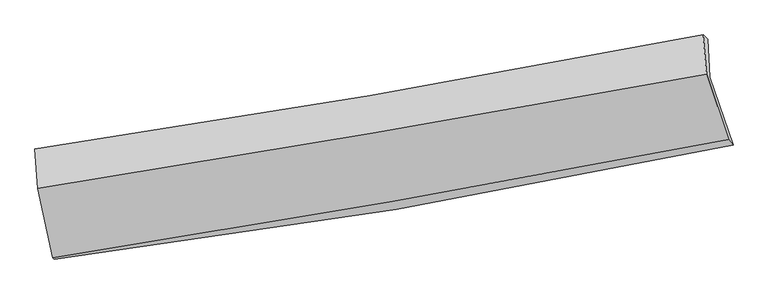
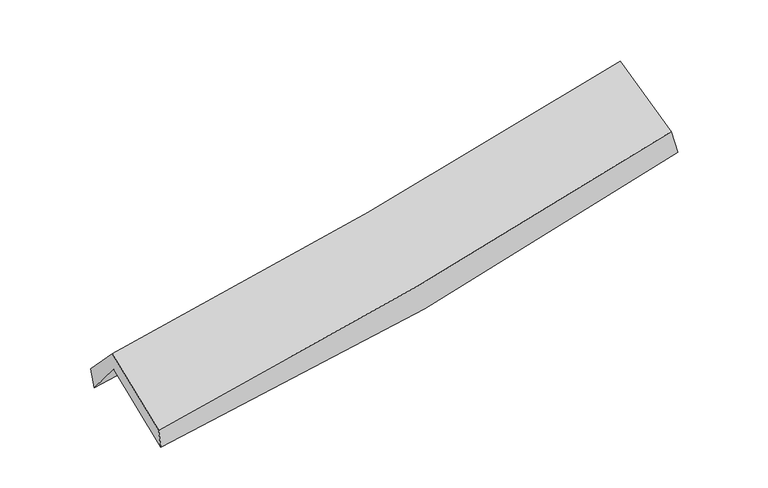
"""IFC4 building model written with IfcOpenShell, lengths in millimetres: proxy geometry."""

from ifc_helpers import new_model, si_unit, frame, origin, place, context, project, spatial, source, transform, mapped, element, save
from ifc_brep_helpers import plane_surface, spline_curve, spline_surface, advanced_brep


def generic_models_09ba85ad(model_context):
    return source(origin(), model_context, "Body", "AdvancedBrep", [
        advanced_brep(
        [(-2308.9402733, -2469.2177962, 1495.1823862), (-2416.1828048, -1974.6406117, 1925.8682531), (2334.0362525, -1179.2756807, 2371.3884908), (2498.0243419, -1661.0507988, 1941.7840161), (-2431.2540665, -1716.9150484, 1614.1986091), (2318.504889, -910.0710253, 2045.9058137), (-2447.3368162, -1689.20854, 1770.6656332), (2286.2872568, -878.4635256, 2233.5597117), (-2427.5946555, -1969.2396289, 2065.0886006), (2310.0191132, -1155.414837, 2510.7890898), (-2321.851681, -2460.9566346, 1648.4443334), (2466.5143599, -1622.2641606, 2112.4211714)],
        [
            (0, 1),
            (1, 2, spline_curve(3, [(-2416.1828048, -1974.6406117, 1925.8682531), (-1615.832906865, -1871.019471571, 1972.97648454), (-819.206707333, -1752.804850007, 2033.734904533), (764.176937262, -1487.594211641, 2182.324892808), (1550.957089975, -1340.68718944, 2270.073218801), (2334.0362525, -1179.2756807, 2371.3884908)], [4, 2, 4], [0.0, 7.998076355560298, 15.971728266108238])),
            (2, 3),
            (3, 0, spline_curve(3, [(2498.0243419, -1661.0507988, 1941.7840161), (1707.61309361, -1831.457845137, 1832.177998394), (912.446946738, -1983.93309233, 1740.188119477), (-689.845417189, -2253.432115244, 1591.21282284), (-1497.000808678, -2370.345866889, 1534.335491487), (-2308.9402733, -2469.2177962, 1495.1823862)], [4, 2, 4], [0.0, 7.97365191054794, 15.971728266108238])),
            (1, 4),
            (4, 5, spline_curve(3, [(-2431.2540665, -1716.9150484, 1614.1986091), (-1631.20130893, -1607.605435771, 1654.436814363), (-834.761911341, -1485.591408465, 1710.610864705), (748.469038575, -1216.565925956, 1854.610447223), (1535.282626375, -1069.631945711, 1942.338798426), (2318.504889, -910.0710253, 2045.9058137)], [4, 2, 4], [0.0, 7.949850890798926, 15.875424607024023])),
            (5, 2),
            (4, 6),
            (6, 7, spline_curve(3, [(-2447.3368162, -1689.20854, 1770.6656332), (-1653.059494785, -1571.842581336, 1836.043262758), (-860.852088651, -1445.480463489, 1907.374664134), (717.009979539, -1175.177264255, 2061.708997983), (1502.677264443, -1031.291044301, 2144.675622695), (2286.2872568, -878.4635256, 2233.5597117)], [4, 2, 4], [0.0, 7.938637501556506, 15.853032071874301])),
            (7, 5),
            (6, 8),
            (8, 9, spline_curve(3, [(-2427.5946555, -1969.2396289, 2065.0886006), (-1632.897617739, -1843.434579236, 2114.64727604), (-840.147182086, -1712.60193472, 2176.644111332), (739.045536504, -1441.296344511, 2325.286792031), (1525.499690342, -1300.854058541, 2411.856786628), (2310.0191132, -1155.414837, 2510.7890898)], [4, 2, 4], [0.0, 7.930082745658374, 15.83594868450543])),
            (9, 7),
            (8, 10),
            (10, 11, spline_curve(3, [(-2321.851681, -2460.9566346, 1648.4443334), (-1517.681144927, -2333.547644316, 1698.872955906), (-715.958902611, -2199.835606182, 1762.831789816), (880.148180876, -1920.233010678, 1917.573246715), (1674.547951971, -1774.380890882, 2008.273358377), (2466.5143599, -1622.2641606, 2112.4211714)], [4, 2, 4], [0.0, 7.978637589590731, 15.93291009607682])),
            (11, 9),
            (10, 0),
            (3, 11),
        ],
        [
            spline_surface(3, 3, [[(-2308.9402733, -2469.2177962, 1495.1823862), (-1497.000808777, -2370.345867004, 1534.335491515), (-689.845417183, -2253.432115159, 1591.212822751), (912.446946732, -1983.933092414, 1740.188119565), (1707.613093523, -1831.457845108, 1832.177998272), (2498.0243419, -1661.0507988, 1941.7840161)], [(-2344.687783786, -2304.358734717, 1638.744341845), (-1536.611508105, -2203.903735242, 1680.549155899), (-732.965847208, -2086.556360112, 1738.720183351), (863.023610189, -1818.48679881, 1887.567043961), (1655.394425685, -1667.867626611, 1978.143071753), (2443.361645432, -1500.459092784, 2084.985507649)], [(-2380.435294314, -2139.499673183, 1782.306297455), (-1576.222207475, -2037.46160343, 1826.762820248), (-776.086277192, -1919.68060508, 1886.22754397), (813.600273689, -1653.04050522, 2034.945968375), (1603.175757851, -1504.277408061, 2124.108145287), (2388.698948968, -1339.867386716, 2228.186999251)], [(-2416.1828048, -1974.6406117, 1925.8682531), (-1615.832906802, -1871.019471668, 1972.976484632), (-819.206707218, -1752.804850033, 2033.73490457), (764.176937147, -1487.594211615, 2182.324892771), (1550.957090013, -1340.687189564, 2270.073218768), (2334.0362525, -1179.2756807, 2371.3884908)]], [4, 4], [4, 2, 4], [0.0, 2.2334050093483055], [0.0, 7.998076355560298, 15.971728266108238]),
            spline_surface(3, 3, [[(-2416.1828048, -1974.6406117, 1925.8682531), (-1615.832906802, -1871.019471668, 1972.976484632), (-819.206707218, -1752.804850033, 2033.73490457), (764.176937147, -1487.594211615, 2182.324892771), (1550.957090013, -1340.687189564, 2270.073218768), (2334.0362525, -1179.2756807, 2371.3884908)], [(-2421.206558701, -1888.732090583, 1821.978371745), (-1620.955707478, -1783.214793043, 1866.796594543), (-824.391775272, -1663.733702838, 1926.026891312), (758.940970963, -1397.251449747, 2073.086744233), (1545.732268788, -1250.335441589, 2160.828411947), (2328.859131341, -1089.540795552, 2262.894265089)], [(-2426.230312599, -1802.823569517, 1718.088490455), (-1626.078508151, -1695.41011447, 1760.616704519), (-829.576843317, -1574.662555625, 1818.318878042), (753.705004789, -1306.90868786, 1963.848595682), (1540.507447541, -1159.983693656, 2051.583605159), (2323.682010159, -999.805910448, 2154.400039411)], [(-2431.2540665, -1716.9150484, 1614.1986091), (-1631.201308827, -1607.605435845, 1654.43681443), (-834.761911371, -1485.59140843, 1710.610864783), (748.469038605, -1216.565925992, 1854.610447144), (1535.282626316, -1069.631945681, 1942.338798338), (2318.504889, -910.0710253, 2045.9058137)]], [4, 4], [4, 2, 4], [0.0, 1.386364831553739], [0.0, 7.949850890798926, 15.875424607024023]),
            spline_surface(3, 3, [[(-2431.2540665, -1716.9150484, 1614.1986091), (-1631.201308827, -1607.605435845, 1654.43681443), (-834.761911371, -1485.59140843, 1710.610864783), (748.469038605, -1216.565925992, 1854.610447144), (1535.282626316, -1069.631945681, 1942.338798338), (2318.504889, -910.0710253, 2045.9058137)], [(-2436.614983066, -1707.679545618, 1666.354283798), (-1638.487370821, -1595.684484376, 1714.972297212), (-843.45863709, -1472.22109341, 1776.19879791), (737.982685598, -1202.76970545, 1923.64329741), (1524.414172304, -1056.851645208, 2009.784406473), (2307.765678246, -899.53519207, 2108.457113038)], [(-2441.975899634, -1698.444042782, 1718.509958502), (-1645.773432818, -1583.763532853, 1775.50778), (-852.155362892, -1458.850778393, 1841.786731042), (727.496332506, -1188.973484913, 1992.676147682), (1513.545718353, -1044.071344725, 2077.230014594), (2297.026467554, -888.99935883, 2171.008412362)], [(-2447.3368162, -1689.20854, 1770.6656332), (-1653.059494812, -1571.842581383, 1836.043262782), (-860.85208861, -1445.480463373, 1907.374664168), (717.009979499, -1175.177264371, 2061.708997948), (1502.677264341, -1031.291044251, 2144.675622729), (2286.2872568, -878.4635256, 2233.5597117)]], [4, 4], [4, 2, 4], [0.0, 0.6823648490251994], [0.0, 7.938637501556506, 15.853032071874301]),
            spline_surface(3, 3, [[(-2447.3368162, -1689.20854, 1770.6656332), (-1653.059494812, -1571.842581383, 1836.043262782), (-860.85208861, -1445.480463373, 1907.374664168), (717.009979499, -1175.177264371, 2061.708997948), (1502.677264341, -1031.291044251, 2144.675622729), (2286.2872568, -878.4635256, 2233.5597117)], [(-2440.756095975, -1782.552236288, 1868.806622359), (-1646.338869168, -1662.373247333, 1928.911267254), (-853.950453136, -1534.520953816, 1997.131146559), (724.35516517, -1263.883624427, 2149.568262671), (1510.284739712, -1121.145382321, 2233.736010715), (2294.197875619, -970.78062941, 2325.969504406)], [(-2434.175375725, -1875.895932612, 1966.947611441), (-1639.6182435, -1752.90391332, 2021.77927165), (-847.048817615, -1623.561444254, 2086.887628903), (731.700350887, -1352.589984477, 2237.427527346), (1517.892215026, -1210.99972036, 2322.796398682), (2302.108494381, -1063.09773319, 2418.379297094)], [(-2427.5946555, -1969.2396289, 2065.0886006), (-1632.897617856, -1843.43457927, 2114.647276122), (-840.14718214, -1712.601934697, 2176.644111294), (739.045536558, -1441.296344533, 2325.286792068), (1525.499690397, -1300.85405843, 2411.856786667), (2310.0191132, -1155.414837, 2510.7890898)]], [4, 4], [4, 2, 4], [0.0, 1.2386203100875357], [0.0, 7.930082745658374, 15.83594868450543]),
            spline_surface(3, 3, [[(-2427.5946555, -1969.2396289, 2065.0886006), (-1632.897617856, -1843.43457927, 2114.647276122), (-840.14718214, -1712.601934697, 2176.644111294), (739.045536558, -1441.296344533, 2325.286792068), (1525.499690397, -1300.85405843, 2411.856786667), (2310.0191132, -1155.414837, 2510.7890898)], [(-2392.346997348, -2133.145297475, 1926.207178191), (-1594.492126924, -2006.805600975, 1976.055836002), (-798.751088936, -1875.013158512, 2038.706670846), (786.079751308, -1600.94189987, 2189.382276915), (1575.182444234, -1458.696335858, 2277.328977268), (2362.18419543, -1311.031278178, 2377.999783667)], [(-2357.099339152, -2297.050966025, 1787.325755809), (-1556.086635947, -2170.176622654, 1837.464395909), (-757.354995739, -2037.424382414, 1900.769230384), (833.11396605, -1760.587455294, 2053.477761749), (1624.865198081, -1616.538613351, 2142.80116787), (2414.34927767, -1466.647719422, 2245.210477533)], [(-2321.851681, -2460.9566346, 1648.4443334), (-1517.681145015, -2333.547644359, 1698.872955789), (-715.958902535, -2199.835606229, 1762.831789936), (880.1481808, -1920.233010631, 1917.573246596), (1674.547951918, -1774.380890779, 2008.273358471), (2466.5143599, -1622.2641606, 2112.4211714)]], [4, 4], [4, 2, 4], [0.0, 2.1254812570840276], [0.0, 7.978637589590731, 15.93291009607682]),
            spline_surface(3, 3, [[(-2321.851681, -2460.9566346, 1648.4443334), (-1517.681145015, -2333.547644359, 1698.872955789), (-715.958902535, -2199.835606229, 1762.831789936), (880.1481808, -1920.233010631, 1917.573246596), (1674.547951918, -1774.380890779, 2008.273358471), (2466.5143599, -1622.2641606, 2112.4211714)], [(-2317.547878424, -2463.71035512, 1597.357017662), (-1510.787699594, -2345.813718561, 1644.02713436), (-707.254407416, -2217.701109233, 1705.625467525), (890.914436112, -1941.466371253, 1858.444870903), (1685.569665784, -1793.406542227, 1949.574905089), (2477.017687232, -1635.193040005, 2055.542119651)], [(-2313.244075876, -2466.46407568, 1546.269701938), (-1503.894254199, -2358.079792802, 1589.181312944), (-698.549912302, -2235.566612155, 1648.419145162), (901.680691419, -1962.699731792, 1799.316495258), (1696.591379656, -1812.43219366, 1890.876451654), (2487.521014568, -1648.121919395, 1998.663067849)], [(-2308.9402733, -2469.2177962, 1495.1823862), (-1497.000808777, -2370.345867004, 1534.335491515), (-689.845417183, -2253.432115159, 1591.212822751), (912.446946732, -1983.933092414, 1740.188119565), (1707.613093523, -1831.457845108, 1832.177998272), (2498.0243419, -1661.0507988, 1941.7840161)]], [4, 4], [4, 2, 4], [0.0, 0.6114883764718563], [0.0, 8.035262433856387, 16.04598686422908]),
            plane_surface(frame((2368.8977022, -1234.423338, 2202.6413822), z_axis=(0.9682400430844966, 0.21339024638231116, 0.1302912956287909), x_axis=(0.24709007622653625, -0.7371075951393439, -0.6289824221854358))),
            plane_surface(frame((-2392.1933829, -2046.6963766, 1753.2413026), z_axis=(-0.9860673865467205, -0.1484445392493365, -0.07506882146385895), x_axis=(-0.08382586236258177, 0.05363466219420679, 0.9950359530240518))),
        ],
        [
            (0, [[1, 2, 3, 4]]),
            (1, [[5, 6, 7, -2]]),
            (2, [[8, 9, 10, -6]]),
            (3, [[11, 12, 13, -9]]),
            (4, [[14, 15, 16, -12]]),
            (5, [[17, -4, 18, -15]]),
            (6, [[-16, -18, -3, -7, -10, -13]]),
            (7, [[-17, -14, -11, -8, -5, -1]]),
        ],
    ),
    ])


if __name__ == "__main__":
    model = new_model("IFC4")
    model_context = context("Model", 3, world=origin())
    ifc_project = project(units=[si_unit("LENGTHUNIT", "METRE", prefix="MILLI")], contexts=[model_context])
    site = spatial("IfcSite", under=ifc_project)
    building = spatial("IfcBuilding", under=site)
    placement = place(None, origin())
    generic_models_shape = generic_models_09ba85ad(model_context)
    element("IfcBuildingElementProxy", 1, Name="Generic Models", at=placement, inside=building, context=model_context, shape_type="MappedRepresentation", body=[
        mapped(generic_models_shape, transform((0.0, 0.0, 0.0), x_axis=(1.0, 0.0, 0.0), y_axis=(0.0, 1.0, 0.0), z_axis=(0.0, 0.0, 1.0))),
    ])
    save(model, "model.ifc")
